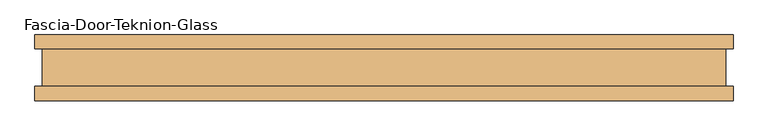
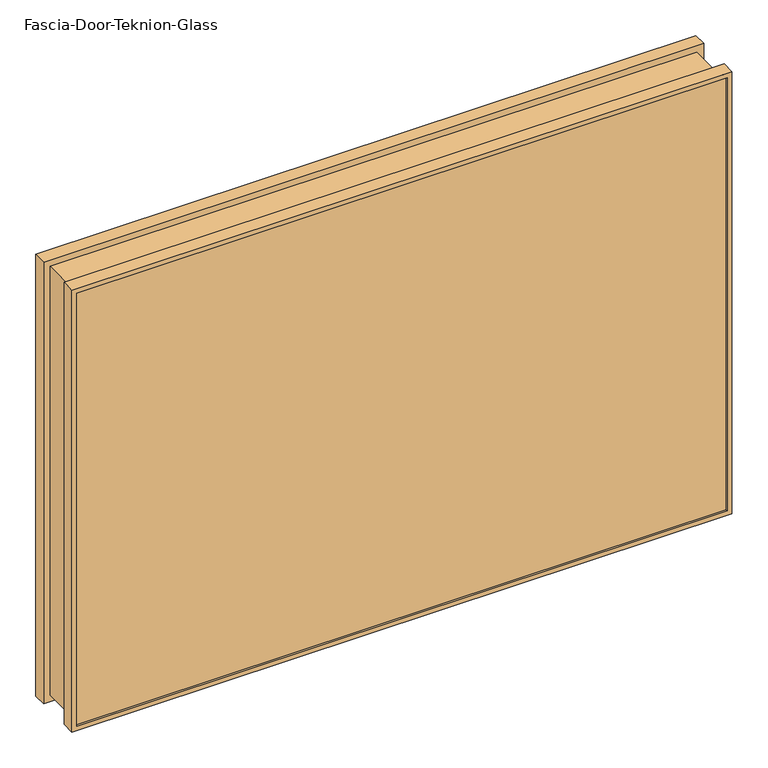
"""IFC4 building model written with IfcOpenShell, lengths in millimetres: door geometry, Fascia-Door-Teknion-Glass."""

from ifc_helpers import new_model, si_unit, frame, origin, place, context, project, spatial, polyline, ellipse_curve, outline, extrude, source, transform, mapped, element, save
from ifc_brep_helpers import plane_surface, cylinder_surface, advanced_brep


def fascia_door_teknion_glass_046dfec6(model_context):
    return source(origin(), model_context, "Body", "SolidModel", [
        advanced_brep(
        [(530.2300781, -50.0558594, 753.745), (530.2300781, -50.0558594, 3.175), (530.2300781, -28.2698798, 3.175), (530.2300781, -28.2698798, 753.745), (522.7948703, -47.1322551, 746.3097922), (522.7948703, -47.1322551, 10.6102078), (522.7948703, -50.0558594, 10.6102078), (522.7948703, -50.0558594, 746.3097922), (528.0775518, -41.1791301, 751.5924737), (528.0775518, -41.1791301, 5.3275263), (528.0775518, -47.1322551, 5.3275263), (528.0775518, -47.1322551, 751.5924737), (522.2726626, 40.9277344, 745.7875845), (522.2726626, 40.9277344, 11.1324155), (522.2726626, -41.1791301, 11.1324155), (522.2726626, -41.1791301, 745.7875845), (528.0775518, 46.8808594, 751.5924737), (528.0775518, 46.8808594, 5.3275263), (528.0775518, 40.9277344, 5.3275263), (528.0775518, 40.9277344, 751.5924737), (522.7948703, 50.0558594, 746.3097922), (522.7948703, 50.0558594, 10.6102078), (522.7948703, 46.8808594, 10.6102078), (522.7948703, 46.8808594, 746.3097922), (530.2300781, 28.8801202, 753.745), (530.2300781, 28.8801202, 3.175), (530.2300781, 50.0558594, 3.175), (530.2300781, 50.0558594, 753.745), (519.3782367, -28.2698798, 742.8931586), (519.3782367, -28.2698798, 14.0268414), (519.3782367, 28.8801202, 14.0268414), (519.3782367, 28.8801202, 742.8931586), (-530.2300781, -50.0558594, 3.175), (-530.2300781, -28.2698798, 3.175), (-522.7948703, -47.1322551, 10.6102078), (-522.7948703, -50.0558594, 10.6102078), (-528.0775518, -41.1791301, 5.3275263), (-528.0775518, -47.1322551, 5.3275263), (-522.2726626, 40.9277344, 11.1324155), (-522.2726626, -41.1791301, 11.1324155), (-528.0775518, 46.8808594, 5.3275263), (-528.0775518, 40.9277344, 5.3275263), (-522.7948703, 50.0558594, 10.6102078), (-522.7948703, 46.8808594, 10.6102078), (-530.2300781, 28.8801202, 3.175), (-530.2300781, 50.0558594, 3.175), (-519.3782367, -28.2698798, 14.0268414), (-519.3782367, 28.8801202, 14.0268414), (-530.2300781, -50.0558594, 753.745), (-530.2300781, -28.2698798, 753.745), (-522.7948703, -47.1322551, 746.3097922), (-522.7948703, -50.0558594, 746.3097922), (-528.0775518, -41.1791301, 751.5924737), (-528.0775518, -47.1322551, 751.5924737), (-522.2726626, 40.9277344, 745.7875845), (-522.2726626, -41.1791301, 745.7875845), (-528.0775518, 46.8808594, 751.5924737), (-528.0775518, 40.9277344, 751.5924737), (-522.7948703, 50.0558594, 746.3097922), (-522.7948703, 46.8808594, 746.3097922), (-530.2300781, 28.8801202, 753.745), (-530.2300781, 50.0558594, 753.745), (-519.3782367, -28.2698798, 742.8931586), (-519.3782367, 28.8801202, 742.8931586)],
        [
            (0, 1),
            (1, 2),
            (2, 3),
            (3, 0),
            (4, 5),
            (5, 6),
            (6, 7),
            (7, 4),
            (8, 9),
            (9, 10),
            (10, 11),
            (11, 8),
            (12, 13),
            (13, 14, ellipse_curve(frame((561.6585049, -0.1256979, -28.2534268), z_axis=(0.7071067811865475, 0.0, 0.7071067811865475), x_axis=(-0.7071067811865474, 0.0, 0.7071067811865476)), 80.4565581, 56.8913778)),
            (14, 15),
            (15, 12, ellipse_curve(frame((561.6585049, -0.1256979, 785.1734268), z_axis=(0.7071067811865475, 0.0, -0.7071067811865475), x_axis=(0.7071067811865474, 0.0, 0.7071067811865476)), 80.4565581, 56.8913778)),
            (16, 17),
            (17, 18),
            (18, 19),
            (19, 16),
            (20, 21),
            (21, 22),
            (22, 23),
            (23, 20),
            (24, 25),
            (25, 26),
            (26, 27),
            (27, 24),
            (28, 29),
            (29, 30),
            (30, 31),
            (31, 28),
            (1, 32),
            (32, 33),
            (33, 2),
            (5, 34),
            (34, 35),
            (35, 6),
            (9, 36),
            (36, 37),
            (37, 10),
            (13, 38),
            (38, 39, ellipse_curve(frame((-561.6585049, -0.1256979, -28.2534268), z_axis=(0.7071067811865475, 0.0, -0.7071067811865475), x_axis=(0.7071067811865476, 0.0, 0.7071067811865474)), 80.4565581, 56.8913778)),
            (39, 14),
            (17, 40),
            (40, 41),
            (41, 18),
            (21, 42),
            (42, 43),
            (43, 22),
            (25, 44),
            (44, 45),
            (45, 26),
            (29, 46),
            (46, 47),
            (47, 30),
            (32, 48),
            (48, 49),
            (49, 33),
            (34, 50),
            (50, 51),
            (51, 35),
            (36, 52),
            (52, 53),
            (53, 37),
            (38, 54),
            (54, 55, ellipse_curve(frame((-561.6585049, -0.1256979, 785.1734268), z_axis=(-0.7071067811865475, 0.0, -0.7071067811865475), x_axis=(0.7071067811865474, 0.0, -0.7071067811865476)), 80.4565581, 56.8913778)),
            (55, 39),
            (40, 56),
            (56, 57),
            (57, 41),
            (42, 58),
            (58, 59),
            (59, 43),
            (44, 60),
            (60, 61),
            (61, 45),
            (46, 62),
            (62, 63),
            (63, 47),
            (48, 0),
            (3, 49),
            (51, 7),
            (50, 4),
            (53, 11),
            (52, 8),
            (55, 15),
            (54, 12),
            (57, 19),
            (56, 16),
            (59, 23),
            (58, 20),
            (61, 27),
            (60, 24),
            (63, 31),
            (62, 28),
        ],
        [
            plane_surface(frame((530.2300781, -28.2698798, 753.745), z_axis=(1.0, 0.0, 0.0), x_axis=(0.0, 0.0, -1.0))),
            plane_surface(frame((522.7948703, -50.0558594, 746.3097922), z_axis=(-1.0, 0.0, 0.0), x_axis=(0.0, 0.0, -1.0))),
            plane_surface(frame((528.0775518, -47.1322551, 751.5924737), z_axis=(-1.0, 0.0, 0.0), x_axis=(0.0, 0.0, -1.0))),
            cylinder_surface(frame((561.6585049, -0.1256979, 753.745), z_axis=(0.0, 0.0, 1.0), x_axis=(1.0, 0.0, 0.0)), 56.8913778),
            plane_surface(frame((528.0775518, 40.9277344, 751.5924737), z_axis=(-1.0, 0.0, 0.0), x_axis=(0.0, 0.0, -1.0))),
            plane_surface(frame((522.7948703, 46.8808594, 746.3097922), z_axis=(-1.0, 0.0, 0.0), x_axis=(0.0, 0.0, -1.0))),
            plane_surface(frame((530.2300781, 50.0558594, 753.745), z_axis=(1.0, 0.0, 0.0), x_axis=(0.0, 0.0, -1.0))),
            plane_surface(frame((519.3782367, 28.8801202, 742.8931586), z_axis=(1.0, 0.0, 0.0), x_axis=(0.0, 0.0, -1.0))),
            plane_surface(frame((530.2300781, -28.2698798, 3.175), z_axis=(0.0, 0.0, -1.0), x_axis=(-1.0, 0.0, 0.0))),
            plane_surface(frame((522.7948703, -50.0558594, 10.6102078), z_axis=(0.0, 0.0, 1.0), x_axis=(-1.0, 0.0, 0.0))),
            plane_surface(frame((528.0775518, -47.1322551, 5.3275263), z_axis=(0.0, 0.0, 1.0), x_axis=(-1.0, 0.0, 0.0))),
            cylinder_surface(frame((530.2300781, -0.1256979, -28.2534268), z_axis=(1.0, 0.0, 0.0), x_axis=(0.0, 0.0, -1.0)), 56.8913778),
            plane_surface(frame((528.0775518, 40.9277344, 5.3275263), z_axis=(0.0, 0.0, 1.0), x_axis=(-1.0, 0.0, 0.0))),
            plane_surface(frame((522.7948703, 46.8808594, 10.6102078), z_axis=(0.0, 0.0, 1.0), x_axis=(-1.0, 0.0, 0.0))),
            plane_surface(frame((530.2300781, 50.0558594, 3.175), z_axis=(0.0, 0.0, -1.0), x_axis=(-1.0, 0.0, 0.0))),
            plane_surface(frame((519.3782367, 28.8801202, 14.0268414), z_axis=(0.0, 0.0, -1.0), x_axis=(-1.0, 0.0, 0.0))),
            plane_surface(frame((-530.2300781, -28.2698798, 3.175), z_axis=(-1.0, 0.0, 0.0), x_axis=(0.0, 0.0, 1.0))),
            plane_surface(frame((-522.7948703, -50.0558594, 10.6102078), z_axis=(1.0, 0.0, 0.0), x_axis=(0.0, 0.0, 1.0))),
            plane_surface(frame((-528.0775518, -47.1322551, 5.3275263), z_axis=(1.0, 0.0, 0.0), x_axis=(0.0, 0.0, 1.0))),
            cylinder_surface(frame((-561.6585049, -0.1256979, 3.175), z_axis=(0.0, 0.0, -1.0), x_axis=(-1.0, 0.0, 0.0)), 56.8913778),
            plane_surface(frame((-528.0775518, 40.9277344, 5.3275263), z_axis=(1.0, 0.0, 0.0), x_axis=(0.0, 0.0, 1.0))),
            plane_surface(frame((-522.7948703, 46.8808594, 10.6102078), z_axis=(1.0, 0.0, 0.0), x_axis=(0.0, 0.0, 1.0))),
            plane_surface(frame((-530.2300781, 50.0558594, 3.175), z_axis=(-1.0, 0.0, 0.0), x_axis=(0.0, 0.0, 1.0))),
            plane_surface(frame((-519.3782367, 28.8801202, 14.0268414), z_axis=(-1.0, 0.0, 0.0), x_axis=(0.0, 0.0, 1.0))),
            plane_surface(frame((-530.2300781, -28.2698798, 753.745), z_axis=(0.0, 0.0, 1.0), x_axis=(1.0, 0.0, 0.0))),
            plane_surface(frame((-530.2300781, -50.0558594, 753.745), z_axis=(0.0, -1.0, 0.0), x_axis=(1.0, 0.0, 0.0))),
            plane_surface(frame((-522.7948703, -50.0558594, 746.3097922), z_axis=(0.0, 0.0, -1.0), x_axis=(1.0, 0.0, 0.0))),
            plane_surface(frame((-522.7948703, -47.1322551, 746.3097922), z_axis=(0.0, 1.0, 0.0), x_axis=(1.0, 0.0, 0.0))),
            plane_surface(frame((-528.0775518, -47.1322551, 751.5924737), z_axis=(0.0, 0.0, -1.0), x_axis=(1.0, 0.0, 0.0))),
            plane_surface(frame((-528.0775518, -41.1791301, 751.5924737), z_axis=(0.0, -1.0, 0.0), x_axis=(1.0, 0.0, 0.0))),
            cylinder_surface(frame((-530.2300781, -0.1256979, 785.1734268), z_axis=(-1.0, 0.0, 0.0), x_axis=(0.0, 0.0, 1.0)), 56.8913778),
            plane_surface(frame((-522.2726626, 40.9277344, 745.7875845), z_axis=(0.0, 1.0, 0.0), x_axis=(1.0, 0.0, 0.0))),
            plane_surface(frame((-528.0775518, 40.9277344, 751.5924737), z_axis=(0.0, 0.0, -1.0), x_axis=(1.0, 0.0, 0.0))),
            plane_surface(frame((-528.0775518, 46.8808594, 751.5924737), z_axis=(0.0, -1.0, 0.0), x_axis=(1.0, 0.0, 0.0))),
            plane_surface(frame((-522.7948703, 46.8808594, 746.3097922), z_axis=(0.0, 0.0, -1.0), x_axis=(1.0, 0.0, 0.0))),
            plane_surface(frame((-522.7948703, 50.0558594, 746.3097922), z_axis=(0.0, 1.0, 0.0), x_axis=(1.0, 0.0, 0.0))),
            plane_surface(frame((-530.2300781, 50.0558594, 753.745), z_axis=(0.0, 0.0, 1.0), x_axis=(1.0, 0.0, 0.0))),
            plane_surface(frame((-530.2300781, 28.8801202, 753.745), z_axis=(0.0, -1.0, 0.0), x_axis=(1.0, 0.0, 0.0))),
            plane_surface(frame((-519.3782367, 28.8801202, 742.8931586), z_axis=(0.0, 0.0, 1.0), x_axis=(1.0, 0.0, 0.0))),
            plane_surface(frame((-519.3782367, -28.2698798, 742.8931586), z_axis=(0.0, 1.0, 0.0), x_axis=(1.0, 0.0, 0.0))),
        ],
        [
            (0, [[1, 2, 3, 4]]),
            (1, [[5, 6, 7, 8]]),
            (2, [[9, 10, 11, 12]]),
            (3, [[13, 14, 15, 16]]),
            (4, [[17, 18, 19, 20]]),
            (5, [[21, 22, 23, 24]]),
            (6, [[25, 26, 27, 28]]),
            (7, [[29, 30, 31, 32]]),
            (8, [[33, 34, 35, -2]]),
            (9, [[36, 37, 38, -6]]),
            (10, [[39, 40, 41, -10]]),
            (11, [[42, 43, 44, -14]]),
            (12, [[45, 46, 47, -18]]),
            (13, [[48, 49, 50, -22]]),
            (14, [[51, 52, 53, -26]]),
            (15, [[54, 55, 56, -30]]),
            (16, [[57, 58, 59, -34]]),
            (17, [[60, 61, 62, -37]]),
            (18, [[63, 64, 65, -40]]),
            (19, [[66, 67, 68, -43]]),
            (20, [[69, 70, 71, -46]]),
            (21, [[72, 73, 74, -49]]),
            (22, [[75, 76, 77, -52]]),
            (23, [[78, 79, 80, -55]]),
            (24, [[81, -4, 82, -58]]),
            (25, [[-1, -81, -57, -33], [-7, -38, -62, 83]]),
            (26, [[84, -8, -83, -61]]),
            (27, [[-11, -41, -65, 85], [-5, -84, -60, -36]]),
            (28, [[86, -12, -85, -64]]),
            (29, [[-9, -86, -63, -39], [-15, -44, -68, 87]]),
            (30, [[88, -16, -87, -67]]),
            (31, [[-19, -47, -71, 89], [-13, -88, -66, -42]]),
            (32, [[90, -20, -89, -70]]),
            (33, [[-17, -90, -69, -45], [-23, -50, -74, 91]]),
            (34, [[92, -24, -91, -73]]),
            (35, [[-27, -53, -77, 93], [-21, -92, -72, -48]]),
            (36, [[94, -28, -93, -76]]),
            (37, [[-25, -94, -75, -51], [-31, -56, -80, 95]]),
            (38, [[96, -32, -95, -79]]),
            (39, [[-3, -35, -59, -82], [-29, -96, -78, -54]]),
        ],
    ),
        extrude(outline(polyline([(528.0775518, 40.9277344), (-528.0775518, 40.9277344), (-528.0775518, 46.8808594), (528.0775518, 46.8808594), (528.0775518, 40.9277344)])), frame((0.0, 0.0, 5.3275263), z_axis=(0.0, 0.0, 1.0), x_axis=(1.0, 0.0, 0.0)), (0.0, 0.0, 1.0), 745.770928),
        extrude(outline(polyline([(528.0775518, -41.1791301), (528.0775518, -47.1322551), (-528.0775518, -47.1322551), (-528.0775518, -41.1791301), (528.0775518, -41.1791301)])), frame((0.0, 0.0, 5.3275263), z_axis=(0.0, 0.0, 1.0), x_axis=(1.0, 0.0, 0.0)), (0.0, 0.0, 1.0), 745.770928),
    ])


if __name__ == "__main__":
    model = new_model("IFC4")
    model_context = context("Model", 3, world=origin())
    ifc_project = project(units=[si_unit("LENGTHUNIT", "METRE", prefix="MILLI")], contexts=[model_context])
    site = spatial("IfcSite", under=ifc_project)
    building = spatial("IfcBuilding", under=site)
    placement = place(None, origin())
    fascia_door_teknion_glass_shape = fascia_door_teknion_glass_046dfec6(model_context)
    element("IfcDoor", 1, ObjectType="Fascia-Door-Teknion-Glass", at=placement, inside=building, context=model_context, shape_type="MappedRepresentation", body=[
        mapped(fascia_door_teknion_glass_shape, transform((0.0, 0.0, 0.0), x_axis=(1.0, 0.0, 0.0), y_axis=(0.0, 1.0, 0.0), z_axis=(0.0, 0.0, 1.0))),
    ])
    save(model, "model.ifc")
